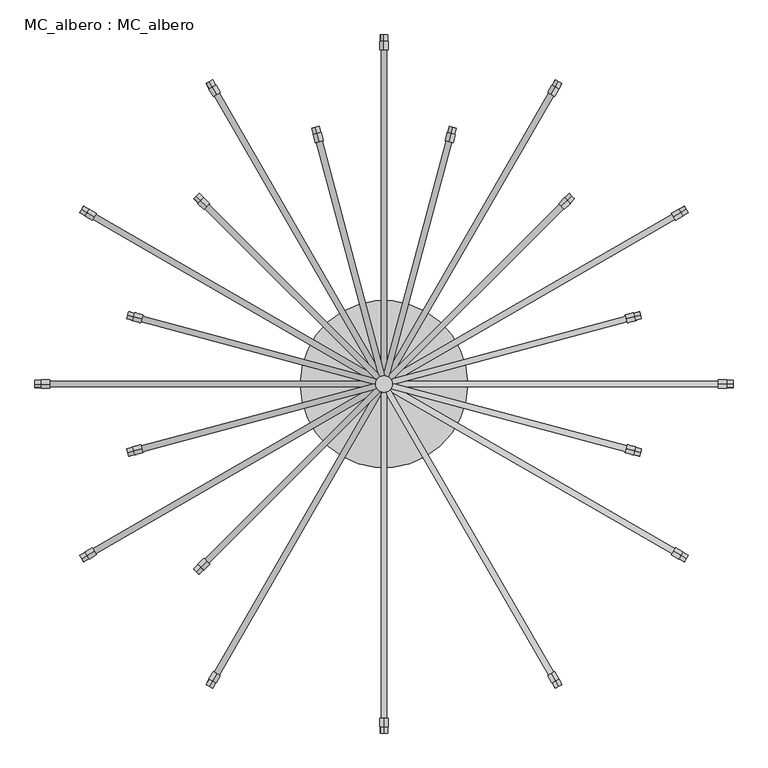
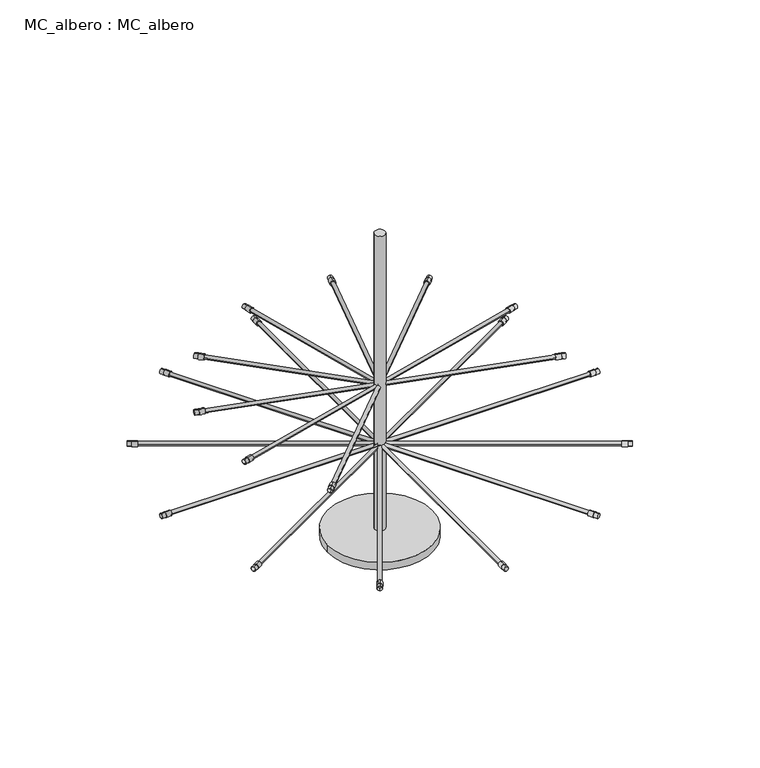
"""IFC4 building model written with IfcOpenShell, lengths in millimetres: proxy geometry, MC_albero : MC_albero."""

from ifc_helpers import new_model, si_unit, point, frame, frame_2d, origin, origin_with_axes, origin_2d, place, context, project, spatial, circle_curve, trimmed, segment, composite_curve, outline, extrude, source, transform, mapped, element, save


def mc_albero_mc_albero_258ef0da(model_context):
    return source(origin(), model_context, "Body", "SweptSolid", [
        extrude(outline(composite_curve([segment(trimmed(circle_curve(frame_2d((0.0, -9.0)), 9.0), [point((0.0, -18.0))], [point((0.0, 0.0))], False, "CARTESIAN"), True, "CONTINUOUS"), segment(trimmed(circle_curve(frame_2d((0.0, -9.0)), 9.0), [point((0.0, 0.0))], [point((0.0, -18.0))], False, "CARTESIAN"), True, "CONTINUOUS")], self_intersect=False), holes=[composite_curve([segment(trimmed(circle_curve(frame_2d((0.0, -9.0)), 8.5), [point((0.0, -17.5))], [point((0.0, -0.5))], True, "CARTESIAN"), True, "CONTINUOUS"), segment(trimmed(circle_curve(frame_2d((0.0, -9.0)), 8.5), [point((0.0, -0.5))], [point((0.0, -17.5))], True, "CARTESIAN"), True, "CONTINUOUS")], self_intersect=False)]), frame((-448.6006221, -448.6397579, 600.4441846), z_axis=(0.7071067811865313, 0.7071067811865639, 0.0), x_axis=(0.7071067811865639, -0.7071067811865313, 0.0)), (0.0, 0.0, 1.0), 15.0),
        extrude(outline(composite_curve([segment(trimmed(circle_curve(frame_2d((0.0, -10.0)), 10.0), [point((0.0, -20.0))], [point((0.0, 0.0))], False, "CARTESIAN"), True, "CONTINUOUS"), segment(trimmed(circle_curve(frame_2d((0.0, -10.0)), 10.0), [point((0.0, 0.0))], [point((0.0, -20.0))], False, "CARTESIAN"), True, "CONTINUOUS")], self_intersect=False)), frame((-437.9940204, -438.0331562, 599.4441846), z_axis=(0.7071067811865313, 0.7071067811865639, 0.0), x_axis=(0.7071067811865639, -0.7071067811865313, 0.0)), (0.0, 0.0, 1.0), 20.0),
        extrude(outline(composite_curve([segment(trimmed(circle_curve(frame_2d((0.0, -7.0)), 7.0), [point((0.0, -14.0))], [point((0.0, 0.0))], False, "CARTESIAN"), True, "CONTINUOUS"), segment(trimmed(circle_curve(frame_2d((0.0, -7.0)), 7.0), [point((0.0, 0.0))], [point((0.0, -14.0))], False, "CARTESIAN"), True, "CONTINUOUS")], self_intersect=False)), frame((-418.9021373, -428.8407681, 609.4441846), z_axis=(0.7071067811865313, 0.7071067811865639, 0.0), x_axis=(0.0, 0.0, 1.0)), (0.0, 0.0, 1.0), 600.0),
        extrude(outline(composite_curve([segment(trimmed(circle_curve(frame_2d((0.0, -9.0)), 9.0), [point((0.0, -18.0))], [point((0.0, 0.0))], False, "CARTESIAN"), True, "CONTINUOUS"), segment(trimmed(circle_curve(frame_2d((0.0, -9.0)), 9.0), [point((0.0, 0.0))], [point((0.0, -18.0))], False, "CARTESIAN"), True, "CONTINUOUS")], self_intersect=False), holes=[composite_curve([segment(trimmed(circle_curve(frame_2d((0.0, -9.0)), 8.5), [point((0.0, -17.5))], [point((0.0, -0.5))], True, "CARTESIAN"), True, "CONTINUOUS"), segment(trimmed(circle_curve(frame_2d((0.0, -9.0)), 8.5), [point((0.0, -0.5))], [point((0.0, -17.5))], True, "CARTESIAN"), True, "CONTINUOUS")], self_intersect=False)]), frame((-612.9507158, -163.9770455, 600.4441846), z_axis=(0.9659258262890607, 0.2588190451025494, 0.0), x_axis=(0.2588190451025494, -0.9659258262890607, 0.0)), (0.0, 0.0, 1.0), 15.0),
        extrude(outline(composite_curve([segment(trimmed(circle_curve(frame_2d((0.0, -10.0)), 10.0), [point((0.0, -20.0))], [point((0.0, 0.0))], False, "CARTESIAN"), True, "CONTINUOUS"), segment(trimmed(circle_curve(frame_2d((0.0, -10.0)), 10.0), [point((0.0, 0.0))], [point((0.0, -20.0))], False, "CARTESIAN"), True, "CONTINUOUS")], self_intersect=False)), frame((-598.4618284, -160.0947599, 599.4441846), z_axis=(0.9659258262890607, 0.2588190451025494, 0.0), x_axis=(0.2588190451025494, -0.9659258262890607, 0.0)), (0.0, 0.0, 1.0), 20.0),
        extrude(outline(composite_curve([segment(trimmed(circle_curve(frame_2d((0.0, -6.9999999)), 7.0), [point((0.0, -14.0))], [point((0.0, 0.0))], False, "CARTESIAN"), True, "CONTINUOUS"), segment(trimmed(circle_curve(frame_2d((0.0, -6.9999999)), 7.0), [point((0.0, 0.0))], [point((0.0, -14.0))], False, "CARTESIAN"), True, "CONTINUOUS")], self_intersect=False)), frame((-577.3315785, -161.6798597, 609.4441846), z_axis=(0.9659258262890607, 0.2588190451025494, 0.0), x_axis=(0.0, 0.0, 1.0)), (0.0, 0.0, 1.0), 600.0),
        extrude(outline(composite_curve([segment(trimmed(circle_curve(frame_2d((0.0, -9.0)), 9.0), [point((0.0, -18.0))], [point((0.0, 0.0))], False, "CARTESIAN"), True, "CONTINUOUS"), segment(trimmed(circle_curve(frame_2d((0.0, -9.0)), 9.0), [point((0.0, 0.0))], [point((0.0, -18.0))], False, "CARTESIAN"), True, "CONTINUOUS")], self_intersect=False), holes=[composite_curve([segment(trimmed(circle_curve(frame_2d((0.0, -9.0)), 8.5), [point((0.0, -17.5))], [point((0.0, -0.5))], True, "CARTESIAN"), True, "CONTINUOUS"), segment(trimmed(circle_curve(frame_2d((0.0, -9.0)), 8.5), [point((0.0, -0.5))], [point((0.0, -17.5))], True, "CARTESIAN"), True, "CONTINUOUS")], self_intersect=False)]), frame((-598.4618284, 160.8408561, 600.4441846), z_axis=(-0.9659258262890762, 0.25881904510249154, 0.0), x_axis=(0.25881904510249154, 0.9659258262890762, 0.0)), (0.0, 0.0, 1.0), 15.0),
        extrude(outline(composite_curve([segment(trimmed(circle_curve(frame_2d((0.0, -10.0)), 10.0), [point((0.0, -20.0))], [point((0.0, 0.0))], False, "CARTESIAN"), True, "CONTINUOUS"), segment(trimmed(circle_curve(frame_2d((0.0, -10.0)), 10.0), [point((0.0, 0.0))], [point((0.0, -20.0))], False, "CARTESIAN"), True, "CONTINUOUS")], self_intersect=False)), frame((-579.1433118, 155.6644752, 599.4441846), z_axis=(-0.9659258262890762, 0.25881904510249154, 0.0), x_axis=(0.25881904510249154, 0.9659258262890762, 0.0)), (0.0, 0.0, 1.0), 20.0),
        extrude(outline(composite_curve([segment(trimmed(circle_curve(frame_2d((0.0, -7.0)), 7.0), [point((0.0, -14.0))], [point((0.0, 0.0))], False, "CARTESIAN"), True, "CONTINUOUS"), segment(trimmed(circle_curve(frame_2d((0.0, -7.0)), 7.0), [point((0.0, 0.0))], [point((0.0, -14.0))], False, "CARTESIAN"), True, "CONTINUOUS")], self_intersect=False)), frame((-1.3995494, -6.3884327, 609.4441846), z_axis=(-0.9659258262890762, 0.25881904510249154, 0.0), x_axis=(0.0, 0.0, -1.0)), (0.0, 0.0, 1.0), 600.0),
        extrude(outline(composite_curve([segment(trimmed(circle_curve(frame_2d((0.0, -9.0)), 9.0), [point((0.0, -18.0))], [point((0.0, 0.0))], False, "CARTESIAN"), True, "CONTINUOUS"), segment(trimmed(circle_curve(frame_2d((0.0, -9.0)), 9.0), [point((0.0, 0.0))], [point((0.0, -18.0))], False, "CARTESIAN"), True, "CONTINUOUS")], self_intersect=False), holes=[composite_curve([segment(trimmed(circle_curve(frame_2d((0.0, -9.0)), 8.5), [point((0.0, -17.5))], [point((0.0, -0.5))], True, "CARTESIAN"), True, "CONTINUOUS"), segment(trimmed(circle_curve(frame_2d((0.0, -9.0)), 8.5), [point((0.0, -0.5))], [point((0.0, -17.5))], True, "CARTESIAN"), True, "CONTINUOUS")], self_intersect=False)]), frame((-437.9940204, 438.7792524, 600.4441846), z_axis=(-0.7071067811865689, 0.7071067811865261, 0.0), x_axis=(0.7071067811865261, 0.7071067811865689, 0.0)), (0.0, 0.0, 1.0), 15.0),
        extrude(outline(composite_curve([segment(trimmed(circle_curve(frame_2d((0.0, -10.0)), 10.0), [point((0.0, -20.0))], [point((0.0, 0.0))], False, "CARTESIAN"), True, "CONTINUOUS"), segment(trimmed(circle_curve(frame_2d((0.0, -10.0)), 10.0), [point((0.0, 0.0))], [point((0.0, -20.0))], False, "CARTESIAN"), True, "CONTINUOUS")], self_intersect=False)), frame((-423.8518848, 424.6371168, 599.4441846), z_axis=(-0.7071067811865689, 0.7071067811865261, 0.0), x_axis=(0.7071067811865261, 0.7071067811865689, 0.0)), (0.0, 0.0, 1.0), 20.0),
        extrude(outline(composite_curve([segment(trimmed(circle_curve(frame_2d((0.0, -7.0)), 7.0), [point((0.0, -14.0))], [point((0.0, 0.0))], False, "CARTESIAN"), True, "CONTINUOUS"), segment(trimmed(circle_curve(frame_2d((0.0, -7.0)), 7.0), [point((0.0, 0.0))], [point((0.0, -14.0))], False, "CARTESIAN"), True, "CONTINUOUS")], self_intersect=False)), frame((-4.5375635, -4.5766994, 609.4441846), z_axis=(-0.7071067811865689, 0.7071067811865261, 0.0), x_axis=(0.0, 0.0, -1.0)), (0.0, 0.0, 1.0), 600.0),
        extrude(outline(composite_curve([segment(trimmed(circle_curve(frame_2d((0.0, -9.0)), 9.0), [point((0.0, -18.0))], [point((0.0, 0.0))], False, "CARTESIAN"), True, "CONTINUOUS"), segment(trimmed(circle_curve(frame_2d((0.0, -9.0)), 9.0), [point((0.0, 0.0))], [point((0.0, -18.0))], False, "CARTESIAN"), True, "CONTINUOUS")], self_intersect=False), holes=[composite_curve([segment(trimmed(circle_curve(frame_2d((0.0, -9.0)), 8.5), [point((0.0, -17.5))], [point((0.0, -0.5))], True, "CARTESIAN"), True, "CONTINUOUS"), segment(trimmed(circle_curve(frame_2d((0.0, -9.0)), 8.5), [point((0.0, -0.5))], [point((0.0, -17.5))], True, "CARTESIAN"), True, "CONTINUOUS")], self_intersect=False)]), frame((-160.055624, 599.2470604, 600.4441846), z_axis=(-0.2588190451025509, 0.9659258262890602, 0.0), x_axis=(0.9659258262890602, 0.2588190451025509, 0.0)), (0.0, 0.0, 1.0), 15.0),
        extrude(outline(composite_curve([segment(trimmed(circle_curve(frame_2d((0.0, -10.0)), 10.0), [point((0.0, -20.0))], [point((0.0, 0.0))], False, "CARTESIAN"), True, "CONTINUOUS"), segment(trimmed(circle_curve(frame_2d((0.0, -10.0)), 10.0), [point((0.0, 0.0))], [point((0.0, -20.0))], False, "CARTESIAN"), True, "CONTINUOUS")], self_intersect=False)), frame((-154.8792431, 579.9285439, 599.4441846), z_axis=(-0.2588190451025509, 0.9659258262890602, 0.0), x_axis=(0.9659258262890602, 0.2588190451025509, 0.0)), (0.0, 0.0, 1.0), 20.0),
        extrude(outline(composite_curve([segment(trimmed(circle_curve(frame_2d((0.0, -7.0)), 7.0), [point((0.0, -14.0))], [point((0.0, 0.0))], False, "CARTESIAN"), True, "CONTINUOUS"), segment(trimmed(circle_curve(frame_2d((0.0, -7.0)), 7.0), [point((0.0, 0.0))], [point((0.0, -14.0))], False, "CARTESIAN"), True, "CONTINUOUS")], self_intersect=False)), frame((-6.3492969, -1.4386852, 609.4441846), z_axis=(-0.2588190451025509, 0.9659258262890602, 0.0), x_axis=(0.0, 0.0, -1.0)), (0.0, 0.0, 1.0), 600.0),
        extrude(outline(composite_curve([segment(trimmed(circle_curve(frame_2d((0.0, -9.0)), 9.0), [point((0.0, -18.0))], [point((0.0, 0.0))], False, "CARTESIAN"), True, "CONTINUOUS"), segment(trimmed(circle_curve(frame_2d((0.0, -9.0)), 9.0), [point((0.0, 0.0))], [point((0.0, -18.0))], False, "CARTESIAN"), True, "CONTINUOUS")], self_intersect=False), holes=[composite_curve([segment(trimmed(circle_curve(frame_2d((0.0, -9.0)), 8.5), [point((0.0, -17.5))], [point((0.0, -0.5))], True, "CARTESIAN"), True, "CONTINUOUS"), segment(trimmed(circle_curve(frame_2d((0.0, -9.0)), 8.5), [point((0.0, -0.5))], [point((0.0, -17.5))], True, "CARTESIAN"), True, "CONTINUOUS")], self_intersect=False)]), frame((160.8799919, 599.2470604, 600.4441846), z_axis=(0.25881904510249026, 0.9659258262890764, 0.0), x_axis=(0.9659258262890764, -0.25881904510249026, 0.0)), (0.0, 0.0, 1.0), 15.0),
        extrude(outline(composite_curve([segment(trimmed(circle_curve(frame_2d((0.0, -10.0)), 10.0), [point((0.0, -20.0))], [point((0.0, 0.0))], False, "CARTESIAN"), True, "CONTINUOUS"), segment(trimmed(circle_curve(frame_2d((0.0, -10.0)), 10.0), [point((0.0, 0.0))], [point((0.0, -20.0))], False, "CARTESIAN"), True, "CONTINUOUS")], self_intersect=False)), frame((155.703611, 579.9285439, 599.4441846), z_axis=(0.25881904510249026, 0.9659258262890764, 0.0), x_axis=(0.9659258262890764, -0.25881904510249026, 0.0)), (0.0, 0.0, 1.0), 20.0),
        extrude(outline(composite_curve([segment(trimmed(circle_curve(frame_2d((0.0, -7.0)), 7.0), [point((0.0, -14.0))], [point((0.0, 0.0))], False, "CARTESIAN"), True, "CONTINUOUS"), segment(trimmed(circle_curve(frame_2d((0.0, -7.0)), 7.0), [point((0.0, 0.0))], [point((0.0, -14.0))], False, "CARTESIAN"), True, "CONTINUOUS")], self_intersect=False)), frame((-6.3492969, 2.1847814, 609.4441846), z_axis=(0.25881904510249026, 0.9659258262890764, 0.0), x_axis=(0.0, 0.0, -1.0)), (0.0, 0.0, 1.0), 600.0),
        extrude(outline(composite_curve([segment(trimmed(circle_curve(frame_2d((0.0, -9.0)), 9.0), [point((0.0, -18.0))], [point((0.0, 0.0))], False, "CARTESIAN"), True, "CONTINUOUS"), segment(trimmed(circle_curve(frame_2d((0.0, -9.0)), 9.0), [point((0.0, 0.0))], [point((0.0, -18.0))], False, "CARTESIAN"), True, "CONTINUOUS")], self_intersect=False), holes=[composite_curve([segment(trimmed(circle_curve(frame_2d((0.0, -9.0)), 8.5), [point((0.0, -17.5))], [point((0.0, -0.5))], True, "CARTESIAN"), True, "CONTINUOUS"), segment(trimmed(circle_curve(frame_2d((0.0, -9.0)), 8.5), [point((0.0, -0.5))], [point((0.0, -17.5))], True, "CARTESIAN"), True, "CONTINUOUS")], self_intersect=False)]), frame((438.8183883, 438.7792524, 600.4441846), z_axis=(0.7071067811865249, 0.7071067811865701, 0.0), x_axis=(0.7071067811865701, -0.7071067811865249, 0.0)), (0.0, 0.0, 1.0), 15.0),
        extrude(outline(composite_curve([segment(trimmed(circle_curve(frame_2d((0.0, -10.0)), 10.0), [point((0.0, -20.0))], [point((0.0, 0.0))], False, "CARTESIAN"), True, "CONTINUOUS"), segment(trimmed(circle_curve(frame_2d((0.0, -10.0)), 10.0), [point((0.0, 0.0))], [point((0.0, -20.0))], False, "CARTESIAN"), True, "CONTINUOUS")], self_intersect=False)), frame((424.6762526, 424.6371168, 599.4441846), z_axis=(0.7071067811865249, 0.7071067811865701, 0.0), x_axis=(0.7071067811865701, -0.7071067811865249, 0.0)), (0.0, 0.0, 1.0), 20.0),
        extrude(outline(composite_curve([segment(trimmed(circle_curve(frame_2d((0.0, -7.0)), 7.0), [point((0.0, -14.0))], [point((0.0, 0.0))], False, "CARTESIAN"), True, "CONTINUOUS"), segment(trimmed(circle_curve(frame_2d((0.0, -7.0)), 7.0), [point((0.0, 0.0))], [point((0.0, -14.0))], False, "CARTESIAN"), True, "CONTINUOUS")], self_intersect=False)), frame((-4.5375635, 5.3227956, 609.4441846), z_axis=(0.7071067811865249, 0.7071067811865701, 0.0), x_axis=(0.0, 0.0, -1.0)), (0.0, 0.0, 1.0), 600.0),
        extrude(outline(composite_curve([segment(trimmed(circle_curve(frame_2d((0.0, -9.0)), 9.0), [point((0.0, -18.0))], [point((0.0, 0.0))], False, "CARTESIAN"), True, "CONTINUOUS"), segment(trimmed(circle_curve(frame_2d((0.0, -9.0)), 9.0), [point((0.0, 0.0))], [point((0.0, -18.0))], False, "CARTESIAN"), True, "CONTINUOUS")], self_intersect=False), holes=[composite_curve([segment(trimmed(circle_curve(frame_2d((0.0, -9.0)), 8.5), [point((0.0, -17.5))], [point((0.0, -0.5))], True, "CARTESIAN"), True, "CONTINUOUS"), segment(trimmed(circle_curve(frame_2d((0.0, -9.0)), 8.5), [point((0.0, -0.5))], [point((0.0, -17.5))], True, "CARTESIAN"), True, "CONTINUOUS")], self_intersect=False)]), frame((613.7750836, -163.9770455, 600.4441846), z_axis=(-0.965925826289075, 0.25881904510249565, 0.0), x_axis=(0.25881904510249565, 0.965925826289075, 0.0)), (0.0, 0.0, 1.0), 15.0),
        extrude(outline(composite_curve([segment(trimmed(circle_curve(frame_2d((0.0, -10.0)), 10.0), [point((0.0, -20.0))], [point((0.0, 0.0))], False, "CARTESIAN"), True, "CONTINUOUS"), segment(trimmed(circle_curve(frame_2d((0.0, -10.0)), 10.0), [point((0.0, 0.0))], [point((0.0, -20.0))], False, "CARTESIAN"), True, "CONTINUOUS")], self_intersect=False)), frame((599.2861962, -160.0947599, 599.4441846), z_axis=(-0.965925826289075, 0.25881904510249565, 0.0), x_axis=(0.25881904510249565, 0.965925826289075, 0.0)), (0.0, 0.0, 1.0), 20.0),
        extrude(outline(composite_curve([segment(trimmed(circle_curve(frame_2d((0.0, -7.0)), 7.0), [point((0.0, -13.9999999))], [point((0.0, 0.0))], False, "CARTESIAN"), True, "CONTINUOUS"), segment(trimmed(circle_curve(frame_2d((0.0, -7.0)), 7.0), [point((0.0, 0.0))], [point((0.0, -13.9999999))], False, "CARTESIAN"), True, "CONTINUOUS")], self_intersect=False)), frame((581.779413, -148.1568982, 609.4441846), z_axis=(-0.965925826289075, 0.25881904510249565, 0.0), x_axis=(0.0, 0.0, 1.0)), (0.0, 0.0, 1.0), 600.0),
        extrude(outline(composite_curve([segment(trimmed(circle_curve(frame_2d((0.0, -9.0)), 9.0), [point((0.0, -18.0))], [point((0.0, 0.0))], False, "CARTESIAN"), True, "CONTINUOUS"), segment(trimmed(circle_curve(frame_2d((0.0, -9.0)), 9.0), [point((0.0, 0.0))], [point((0.0, -18.0))], False, "CARTESIAN"), True, "CONTINUOUS")], self_intersect=False), holes=[composite_curve([segment(trimmed(circle_curve(frame_2d((0.0, -9.0)), 8.5), [point((0.0, -17.5))], [point((0.0, -0.5))], True, "CARTESIAN"), True, "CONTINUOUS"), segment(trimmed(circle_curve(frame_2d((0.0, -9.0)), 8.5), [point((0.0, -0.5))], [point((0.0, -17.5))], True, "CARTESIAN"), True, "CONTINUOUS")], self_intersect=False)]), frame((599.2861962, 160.8408561, 600.4441846), z_axis=(0.9659258262890599, 0.2588190451025525, 0.0), x_axis=(0.2588190451025525, -0.9659258262890599, 0.0)), (0.0, 0.0, 1.0), 15.0),
        extrude(outline(composite_curve([segment(trimmed(circle_curve(frame_2d((0.0, -10.0)), 10.0), [point((0.0, -20.0))], [point((0.0, 0.0))], False, "CARTESIAN"), True, "CONTINUOUS"), segment(trimmed(circle_curve(frame_2d((0.0, -10.0)), 10.0), [point((0.0, 0.0))], [point((0.0, -20.0))], False, "CARTESIAN"), True, "CONTINUOUS")], self_intersect=False)), frame((579.9676797, 155.6644752, 599.4441846), z_axis=(0.9659258262890599, 0.2588190451025525, 0.0), x_axis=(0.2588190451025525, -0.9659258262890599, 0.0)), (0.0, 0.0, 1.0), 20.0),
        extrude(outline(composite_curve([segment(trimmed(circle_curve(frame_2d((0.0, -7.0)), 7.0), [point((0.0, -14.0))], [point((0.0, 0.0))], False, "CARTESIAN"), True, "CONTINUOUS"), segment(trimmed(circle_curve(frame_2d((0.0, -7.0)), 7.0), [point((0.0, 0.0))], [point((0.0, -14.0))], False, "CARTESIAN"), True, "CONTINUOUS")], self_intersect=False)), frame((-1.3995494, 7.1345289, 609.4441846), z_axis=(0.9659258262890599, 0.2588190451025525, 0.0), x_axis=(0.0, 0.0, -1.0)), (0.0, 0.0, 1.0), 600.0),
        extrude(outline(composite_curve([segment(trimmed(circle_curve(frame_2d((0.0, -9.0)), 9.0), [point((0.0, -18.0))], [point((0.0, 0.0))], False, "CARTESIAN"), True, "CONTINUOUS"), segment(trimmed(circle_curve(frame_2d((0.0, -9.0)), 9.0), [point((0.0, 0.0))], [point((0.0, -18.0))], False, "CARTESIAN"), True, "CONTINUOUS")], self_intersect=False), holes=[composite_curve([segment(trimmed(circle_curve(frame_2d((0.0, -9.0)), 8.5), [point((0.0, -17.5))], [point((0.0, -0.5))], True, "CARTESIAN"), True, "CONTINUOUS"), segment(trimmed(circle_curve(frame_2d((0.0, -9.0)), 8.5), [point((0.0, -0.5))], [point((0.0, -17.5))], True, "CARTESIAN"), True, "CONTINUOUS")], self_intersect=False)]), frame((417.5, -723.1312122, 360.4441846), z_axis=(-0.49999999999998723, 0.866025403784446, 0.0), x_axis=(0.866025403784446, 0.49999999999998723, 0.0)), (0.0, 0.0, 1.0), 15.0),
        extrude(outline(composite_curve([segment(trimmed(circle_curve(frame_2d((0.0, -10.0)), 10.0), [point((0.0, -20.0))], [point((0.0, 0.0))], False, "CARTESIAN"), True, "CONTINUOUS"), segment(trimmed(circle_curve(frame_2d((0.0, -10.0)), 10.0), [point((0.0, 0.0))], [point((0.0, -20.0))], False, "CARTESIAN"), True, "CONTINUOUS")], self_intersect=False)), frame((410.0, -710.1408311, 359.4441846), z_axis=(-0.49999999999998723, 0.866025403784446, 0.0), x_axis=(0.866025403784446, 0.49999999999998723, 0.0)), (0.0, 0.0, 1.0), 20.0),
        extrude(outline(composite_curve([segment(trimmed(circle_curve(frame_2d((0.0, -7.0)), 7.0), [point((0.0, -14.0))], [point((0.0, 0.0))], False, "CARTESIAN"), True, "CONTINUOUS"), segment(trimmed(circle_curve(frame_2d((0.0, -7.0)), 7.0), [point((0.0, 0.0))], [point((0.0, -14.0))], False, "CARTESIAN"), True, "CONTINUOUS")], self_intersect=False)), frame((406.0621778, -689.320323, 369.4441846), z_axis=(-0.49999999999998723, 0.866025403784446, 0.0), x_axis=(0.0, 0.0, 1.0)), (0.0, 0.0, 1.0), 800.0),
        extrude(outline(composite_curve([segment(trimmed(circle_curve(frame_2d((369.4441846, 0.0)), 9.0), [point((378.4441846, 0.0))], [point((360.4441846, 0.0))], False, "CARTESIAN"), True, "CONTINUOUS"), segment(trimmed(circle_curve(frame_2d((369.4441846, 0.0)), 9.0), [point((360.4441846, 0.0))], [point((378.4441846, 0.0))], False, "CARTESIAN"), True, "CONTINUOUS")], self_intersect=False), holes=[composite_curve([segment(trimmed(circle_curve(frame_2d((369.4441846, 0.0)), 8.5), [point((377.9441846, 0.0))], [point((360.9441846, 0.0))], True, "CARTESIAN"), True, "CONTINUOUS"), segment(trimmed(circle_curve(frame_2d((369.4441846, 0.0)), 8.5), [point((360.9441846, 0.0))], [point((377.9441846, 0.0))], True, "CARTESIAN"), True, "CONTINUOUS")], self_intersect=False)]), frame((0.0, -835.0, 0.0), z_axis=(0.0, 1.0, 0.0), x_axis=(0.0, 0.0, 1.0)), (0.0, 0.0, 1.0), 15.0),
        extrude(outline(composite_curve([segment(trimmed(circle_curve(frame_2d((369.4441846, 0.0)), 10.0), [point((379.4441846, 0.0))], [point((359.4441846, 0.0))], False, "CARTESIAN"), True, "CONTINUOUS"), segment(trimmed(circle_curve(frame_2d((369.4441846, 0.0)), 10.0), [point((359.4441846, 0.0))], [point((379.4441846, 0.0))], False, "CARTESIAN"), True, "CONTINUOUS")], self_intersect=False)), frame((0.0, -820.0, 0.0), z_axis=(0.0, 1.0, 0.0), x_axis=(0.0, 0.0, 1.0)), (0.0, 0.0, 1.0), 20.0),
        extrude(outline(composite_curve([segment(trimmed(circle_curve(frame_2d((369.4441846, 0.0)), 7.0), [point((369.4441846, -7.0))], [point((369.4441846, 7.0))], False, "CARTESIAN"), True, "CONTINUOUS"), segment(trimmed(circle_curve(frame_2d((369.4441846, 0.0)), 7.0), [point((369.4441846, 7.0))], [point((369.4441846, -7.0))], False, "CARTESIAN"), True, "CONTINUOUS")], self_intersect=False)), frame((0.0, -800.0, 0.0), z_axis=(0.0, 1.0, 0.0), x_axis=(0.0, 0.0, 1.0)), (0.0, 0.0, 1.0), 800.0),
        extrude(outline(composite_curve([segment(trimmed(circle_curve(frame_2d((0.0, -9.0)), 9.0), [point((0.0, -18.0))], [point((0.0, 0.0))], False, "CARTESIAN"), True, "CONTINUOUS"), segment(trimmed(circle_curve(frame_2d((0.0, -9.0)), 9.0), [point((0.0, 0.0))], [point((0.0, -18.0))], False, "CARTESIAN"), True, "CONTINUOUS")], self_intersect=False), holes=[composite_curve([segment(trimmed(circle_curve(frame_2d((0.0, -9.0)), 8.5), [point((0.0, -17.5))], [point((0.0, -0.5))], True, "CARTESIAN"), True, "CONTINUOUS"), segment(trimmed(circle_curve(frame_2d((0.0, -9.0)), 8.5), [point((0.0, -0.5))], [point((0.0, -17.5))], True, "CARTESIAN"), True, "CONTINUOUS")], self_intersect=False)]), frame((-417.5, -723.1312122, 360.4441846), z_axis=(0.5000000000000127, 0.8660254037844315, 0.0), x_axis=(0.8660254037844315, -0.5000000000000127, 0.0)), (0.0, 0.0, 1.0), 15.0),
        extrude(outline(composite_curve([segment(trimmed(circle_curve(frame_2d((0.0, -10.0)), 10.0), [point((0.0, -20.0))], [point((0.0, 0.0))], False, "CARTESIAN"), True, "CONTINUOUS"), segment(trimmed(circle_curve(frame_2d((0.0, -10.0)), 10.0), [point((0.0, 0.0))], [point((0.0, -20.0))], False, "CARTESIAN"), True, "CONTINUOUS")], self_intersect=False)), frame((-410.0, -710.1408311, 359.4441846), z_axis=(0.5000000000000127, 0.8660254037844315, 0.0), x_axis=(0.8660254037844315, -0.5000000000000127, 0.0)), (0.0, 0.0, 1.0), 20.0),
        extrude(outline(composite_curve([segment(trimmed(circle_curve(frame_2d((0.0, -7.0)), 7.0), [point((0.0, -14.0))], [point((0.0, 0.0))], False, "CARTESIAN"), True, "CONTINUOUS"), segment(trimmed(circle_curve(frame_2d((0.0, -7.0)), 7.0), [point((0.0, 0.0))], [point((0.0, -14.0))], False, "CARTESIAN"), True, "CONTINUOUS")], self_intersect=False)), frame((-393.9378222, -696.320323, 369.4441846), z_axis=(0.5000000000000127, 0.8660254037844315, 0.0), x_axis=(0.0, 0.0, 1.0)), (0.0, 0.0, 1.0), 800.0),
        extrude(outline(composite_curve([segment(trimmed(circle_curve(frame_2d((0.0, -9.0)), 9.0), [point((0.0, -18.0))], [point((0.0, 0.0))], False, "CARTESIAN"), True, "CONTINUOUS"), segment(trimmed(circle_curve(frame_2d((0.0, -9.0)), 9.0), [point((0.0, 0.0))], [point((0.0, -18.0))], False, "CARTESIAN"), True, "CONTINUOUS")], self_intersect=False), holes=[composite_curve([segment(trimmed(circle_curve(frame_2d((0.0, -9.0)), 8.5), [point((0.0, -17.5))], [point((0.0, -0.5))], True, "CARTESIAN"), True, "CONTINUOUS"), segment(trimmed(circle_curve(frame_2d((0.0, -9.0)), 8.5), [point((0.0, -0.5))], [point((0.0, -17.5))], True, "CARTESIAN"), True, "CONTINUOUS")], self_intersect=False)]), frame((-723.1312122, -417.5, 360.4441846), z_axis=(0.866025403784445, 0.4999999999999889, 0.0), x_axis=(0.4999999999999889, -0.866025403784445, 0.0)), (0.0, 0.0, 1.0), 15.0),
        extrude(outline(composite_curve([segment(trimmed(circle_curve(frame_2d((0.0, -10.0)), 10.0), [point((0.0, -20.0))], [point((0.0, 0.0))], False, "CARTESIAN"), True, "CONTINUOUS"), segment(trimmed(circle_curve(frame_2d((0.0, -10.0)), 10.0), [point((0.0, 0.0))], [point((0.0, -20.0))], False, "CARTESIAN"), True, "CONTINUOUS")], self_intersect=False)), frame((-710.1408311, -410.0, 359.4441846), z_axis=(0.866025403784445, 0.4999999999999889, 0.0), x_axis=(0.4999999999999889, -0.866025403784445, 0.0)), (0.0, 0.0, 1.0), 20.0),
        extrude(outline(composite_curve([segment(trimmed(circle_curve(frame_2d((0.0, -7.0)), 7.0), [point((0.0, -14.0))], [point((0.0, 0.0))], False, "CARTESIAN"), True, "CONTINUOUS"), segment(trimmed(circle_curve(frame_2d((0.0, -7.0)), 7.0), [point((0.0, 0.0))], [point((0.0, -14.0))], False, "CARTESIAN"), True, "CONTINUOUS")], self_intersect=False)), frame((-689.320323, -406.0621778, 369.4441846), z_axis=(0.866025403784445, 0.4999999999999889, 0.0), x_axis=(0.0, 0.0, 1.0)), (0.0, 0.0, 1.0), 800.0),
        extrude(outline(composite_curve([segment(trimmed(circle_curve(frame_2d((0.0, 369.4441846)), 9.0), [point((0.0, 378.4441846))], [point((0.0, 360.4441846))], False, "CARTESIAN"), True, "CONTINUOUS"), segment(trimmed(circle_curve(frame_2d((0.0, 369.4441846)), 9.0), [point((0.0, 360.4441846))], [point((0.0, 378.4441846))], False, "CARTESIAN"), True, "CONTINUOUS")], self_intersect=False), holes=[composite_curve([segment(trimmed(circle_curve(frame_2d((0.0, 369.4441846)), 8.5), [point((0.0, 377.9441846))], [point((0.0, 360.9441846))], True, "CARTESIAN"), True, "CONTINUOUS"), segment(trimmed(circle_curve(frame_2d((0.0, 369.4441846)), 8.5), [point((0.0, 360.9441846))], [point((0.0, 377.9441846))], True, "CARTESIAN"), True, "CONTINUOUS")], self_intersect=False)]), frame((-835.0, 0.0, 0.0), z_axis=(1.0, 0.0, 0.0), x_axis=(0.0, 1.0, 0.0)), (0.0, 0.0, 1.0), 15.0),
        extrude(outline(composite_curve([segment(trimmed(circle_curve(frame_2d((0.0, 369.4441846)), 10.0), [point((0.0, 379.4441846))], [point((0.0, 359.4441846))], False, "CARTESIAN"), True, "CONTINUOUS"), segment(trimmed(circle_curve(frame_2d((0.0, 369.4441846)), 10.0), [point((0.0, 359.4441846))], [point((0.0, 379.4441846))], False, "CARTESIAN"), True, "CONTINUOUS")], self_intersect=False)), frame((-820.0, 0.0, 0.0), z_axis=(1.0, 0.0, 0.0), x_axis=(0.0, 1.0, 0.0)), (0.0, 0.0, 1.0), 20.0),
        extrude(outline(composite_curve([segment(trimmed(circle_curve(frame_2d((0.0, 369.4441846)), 7.0), [point((7.0, 369.4441846))], [point((-7.0, 369.4441846))], False, "CARTESIAN"), True, "CONTINUOUS"), segment(trimmed(circle_curve(frame_2d((0.0, 369.4441846)), 7.0), [point((-7.0, 369.4441846))], [point((7.0, 369.4441846))], False, "CARTESIAN"), True, "CONTINUOUS")], self_intersect=False)), frame((-800.0, 0.0, 0.0), z_axis=(1.0, 0.0, 0.0), x_axis=(0.0, 1.0, 0.0)), (0.0, 0.0, 1.0), 800.0),
        extrude(outline(composite_curve([segment(trimmed(circle_curve(frame_2d((0.0, -9.0)), 9.0), [point((0.0, -18.0))], [point((0.0, 0.0))], False, "CARTESIAN"), True, "CONTINUOUS"), segment(trimmed(circle_curve(frame_2d((0.0, -9.0)), 9.0), [point((0.0, 0.0))], [point((0.0, -18.0))], False, "CARTESIAN"), True, "CONTINUOUS")], self_intersect=False), holes=[composite_curve([segment(trimmed(circle_curve(frame_2d((0.0, -9.0)), 8.5), [point((0.0, -17.5))], [point((0.0, -0.5))], True, "CARTESIAN"), True, "CONTINUOUS"), segment(trimmed(circle_curve(frame_2d((0.0, -9.0)), 8.5), [point((0.0, -0.5))], [point((0.0, -17.5))], True, "CARTESIAN"), True, "CONTINUOUS")], self_intersect=False)]), frame((-710.1408311, 410.0, 360.4441846), z_axis=(-0.8660254037844358, 0.500000000000005, 0.0), x_axis=(0.500000000000005, 0.8660254037844358, 0.0)), (0.0, 0.0, 1.0), 15.0),
        extrude(outline(composite_curve([segment(trimmed(circle_curve(frame_2d((0.0, -10.0)), 10.0), [point((0.0, -20.0))], [point((0.0, 0.0))], False, "CARTESIAN"), True, "CONTINUOUS"), segment(trimmed(circle_curve(frame_2d((0.0, -10.0)), 10.0), [point((0.0, 0.0))], [point((0.0, -20.0))], False, "CARTESIAN"), True, "CONTINUOUS")], self_intersect=False)), frame((-692.820323, 400.0, 359.4441846), z_axis=(-0.8660254037844358, 0.500000000000005, 0.0), x_axis=(0.500000000000005, 0.8660254037844358, 0.0)), (0.0, 0.0, 1.0), 20.0),
        extrude(outline(composite_curve([segment(trimmed(circle_curve(frame_2d((0.0, -7.0)), 7.0), [point((0.0, -14.0))], [point((0.0, 0.0))], False, "CARTESIAN"), True, "CONTINUOUS"), segment(trimmed(circle_curve(frame_2d((0.0, -7.0)), 7.0), [point((0.0, 0.0))], [point((0.0, -14.0))], False, "CARTESIAN"), True, "CONTINUOUS")], self_intersect=False)), frame((-3.5, -6.0621778, 369.4441846), z_axis=(-0.8660254037844358, 0.500000000000005, 0.0), x_axis=(0.0, 0.0, -1.0)), (0.0, 0.0, 1.0), 800.0),
        extrude(outline(composite_curve([segment(trimmed(circle_curve(frame_2d((0.0, -9.0)), 9.0), [point((0.0, -18.0))], [point((0.0, 0.0))], False, "CARTESIAN"), True, "CONTINUOUS"), segment(trimmed(circle_curve(frame_2d((0.0, -9.0)), 9.0), [point((0.0, 0.0))], [point((0.0, -18.0))], False, "CARTESIAN"), True, "CONTINUOUS")], self_intersect=False), holes=[composite_curve([segment(trimmed(circle_curve(frame_2d((0.0, -9.0)), 8.5), [point((0.0, -17.5))], [point((0.0, -0.5))], True, "CARTESIAN"), True, "CONTINUOUS"), segment(trimmed(circle_curve(frame_2d((0.0, -9.0)), 8.5), [point((0.0, -0.5))], [point((0.0, -17.5))], True, "CARTESIAN"), True, "CONTINUOUS")], self_intersect=False)]), frame((-410.0, 710.1408311, 360.4441846), z_axis=(-0.49999999999999506, 0.8660254037844416, 0.0), x_axis=(0.8660254037844416, 0.49999999999999506, 0.0)), (0.0, 0.0, 1.0), 15.0),
        extrude(outline(composite_curve([segment(trimmed(circle_curve(frame_2d((0.0, -10.0)), 10.0), [point((0.0, -20.0))], [point((0.0, 0.0))], False, "CARTESIAN"), True, "CONTINUOUS"), segment(trimmed(circle_curve(frame_2d((0.0, -10.0)), 10.0), [point((0.0, 0.0))], [point((0.0, -20.0))], False, "CARTESIAN"), True, "CONTINUOUS")], self_intersect=False)), frame((-400.0, 692.820323, 359.4441846), z_axis=(-0.49999999999999506, 0.8660254037844416, 0.0), x_axis=(0.8660254037844416, 0.49999999999999506, 0.0)), (0.0, 0.0, 1.0), 20.0),
        extrude(outline(composite_curve([segment(trimmed(circle_curve(frame_2d((0.0, -7.0)), 7.0), [point((0.0, -14.0))], [point((0.0, 0.0))], False, "CARTESIAN"), True, "CONTINUOUS"), segment(trimmed(circle_curve(frame_2d((0.0, -7.0)), 7.0), [point((0.0, 0.0))], [point((0.0, -14.0))], False, "CARTESIAN"), True, "CONTINUOUS")], self_intersect=False)), frame((-6.0621778, -3.5, 369.4441846), z_axis=(-0.49999999999999506, 0.8660254037844416, 0.0), x_axis=(0.0, 0.0, -1.0)), (0.0, 0.0, 1.0), 800.0),
        extrude(outline(composite_curve([segment(trimmed(circle_curve(frame_2d((369.4441846, 0.0)), 9.0), [point((378.4441846, 0.0))], [point((360.4441846, 0.0))], False, "CARTESIAN"), True, "CONTINUOUS"), segment(trimmed(circle_curve(frame_2d((369.4441846, 0.0)), 9.0), [point((360.4441846, 0.0))], [point((378.4441846, 0.0))], False, "CARTESIAN"), True, "CONTINUOUS")], self_intersect=False), holes=[composite_curve([segment(trimmed(circle_curve(frame_2d((369.4441846, 0.0)), 8.5), [point((377.9441846, 0.0))], [point((360.9441846, 0.0))], True, "CARTESIAN"), True, "CONTINUOUS"), segment(trimmed(circle_curve(frame_2d((369.4441846, 0.0)), 8.5), [point((360.9441846, 0.0))], [point((377.9441846, 0.0))], True, "CARTESIAN"), True, "CONTINUOUS")], self_intersect=False)]), frame((0.0, 820.0, 0.0), z_axis=(0.0, 1.0, 0.0), x_axis=(0.0, 0.0, 1.0)), (0.0, 0.0, 1.0), 15.0),
        extrude(outline(composite_curve([segment(trimmed(circle_curve(frame_2d((369.4441846, 0.0)), 10.0), [point((379.4441846, 0.0))], [point((359.4441846, 0.0))], False, "CARTESIAN"), True, "CONTINUOUS"), segment(trimmed(circle_curve(frame_2d((369.4441846, 0.0)), 10.0), [point((359.4441846, 0.0))], [point((379.4441846, 0.0))], False, "CARTESIAN"), True, "CONTINUOUS")], self_intersect=False)), frame((0.0, 800.0, 0.0), z_axis=(0.0, 1.0, 0.0), x_axis=(0.0, 0.0, 1.0)), (0.0, 0.0, 1.0), 20.0),
        extrude(outline(composite_curve([segment(trimmed(circle_curve(frame_2d((369.4441846, 0.0)), 7.0), [point((369.4441846, 7.0))], [point((369.4441846, -7.0))], False, "CARTESIAN"), True, "CONTINUOUS"), segment(trimmed(circle_curve(frame_2d((369.4441846, 0.0)), 7.0), [point((369.4441846, -7.0))], [point((369.4441846, 7.0))], False, "CARTESIAN"), True, "CONTINUOUS")], self_intersect=False)), frame((0.0, 0.0, 0.0), z_axis=(0.0, 1.0, 0.0), x_axis=(0.0, 0.0, 1.0)), (0.0, 0.0, 1.0), 800.0),
        extrude(outline(composite_curve([segment(trimmed(circle_curve(frame_2d((0.0, -9.0)), 9.0), [point((0.0, -18.0))], [point((0.0, 0.0))], False, "CARTESIAN"), True, "CONTINUOUS"), segment(trimmed(circle_curve(frame_2d((0.0, -9.0)), 9.0), [point((0.0, 0.0))], [point((0.0, -18.0))], False, "CARTESIAN"), True, "CONTINUOUS")], self_intersect=False), holes=[composite_curve([segment(trimmed(circle_curve(frame_2d((0.0, -9.0)), 8.5), [point((0.0, -17.5))], [point((0.0, -0.5))], True, "CARTESIAN"), True, "CONTINUOUS"), segment(trimmed(circle_curve(frame_2d((0.0, -9.0)), 8.5), [point((0.0, -0.5))], [point((0.0, -17.5))], True, "CARTESIAN"), True, "CONTINUOUS")], self_intersect=False)]), frame((410.0, 710.1408311, 360.4441846), z_axis=(0.5000000000000039, 0.8660254037844365, 0.0), x_axis=(0.8660254037844365, -0.5000000000000039, 0.0)), (0.0, 0.0, 1.0), 15.0),
        extrude(outline(composite_curve([segment(trimmed(circle_curve(frame_2d((0.0, -10.0)), 10.0), [point((0.0, -20.0))], [point((0.0, 0.0))], False, "CARTESIAN"), True, "CONTINUOUS"), segment(trimmed(circle_curve(frame_2d((0.0, -10.0)), 10.0), [point((0.0, 0.0))], [point((0.0, -20.0))], False, "CARTESIAN"), True, "CONTINUOUS")], self_intersect=False)), frame((400.0, 692.820323, 359.4441846), z_axis=(0.5000000000000039, 0.8660254037844365, 0.0), x_axis=(0.8660254037844365, -0.5000000000000039, 0.0)), (0.0, 0.0, 1.0), 20.0),
        extrude(outline(composite_curve([segment(trimmed(circle_curve(frame_2d((0.0, -7.0)), 7.0), [point((0.0, -14.0))], [point((0.0, 0.0))], False, "CARTESIAN"), True, "CONTINUOUS"), segment(trimmed(circle_curve(frame_2d((0.0, -7.0)), 7.0), [point((0.0, 0.0))], [point((0.0, -14.0))], False, "CARTESIAN"), True, "CONTINUOUS")], self_intersect=False)), frame((-6.0621778, 3.5, 369.4441846), z_axis=(0.5000000000000039, 0.8660254037844365, 0.0), x_axis=(0.0, 0.0, -1.0)), (0.0, 0.0, 1.0), 800.0),
        extrude(outline(composite_curve([segment(trimmed(circle_curve(frame_2d((0.0, -9.0)), 9.0), [point((0.0, -18.0))], [point((0.0, 0.0))], False, "CARTESIAN"), True, "CONTINUOUS"), segment(trimmed(circle_curve(frame_2d((0.0, -9.0)), 9.0), [point((0.0, 0.0))], [point((0.0, -18.0))], False, "CARTESIAN"), True, "CONTINUOUS")], self_intersect=False), holes=[composite_curve([segment(trimmed(circle_curve(frame_2d((0.0, -9.0)), 8.5), [point((0.0, -17.5))], [point((0.0, -0.5))], True, "CARTESIAN"), True, "CONTINUOUS"), segment(trimmed(circle_curve(frame_2d((0.0, -9.0)), 8.5), [point((0.0, -0.5))], [point((0.0, -17.5))], True, "CARTESIAN"), True, "CONTINUOUS")], self_intersect=False)]), frame((710.1408311, 410.0, 360.4441846), z_axis=(0.8660254037844406, 0.49999999999999667, 0.0), x_axis=(0.49999999999999667, -0.8660254037844406, 0.0)), (0.0, 0.0, 1.0), 15.0),
        extrude(outline(composite_curve([segment(trimmed(circle_curve(frame_2d((0.0, -10.0)), 10.0), [point((0.0, -20.0))], [point((0.0, 0.0))], False, "CARTESIAN"), True, "CONTINUOUS"), segment(trimmed(circle_curve(frame_2d((0.0, -10.0)), 10.0), [point((0.0, 0.0))], [point((0.0, -20.0))], False, "CARTESIAN"), True, "CONTINUOUS")], self_intersect=False)), frame((692.820323, 400.0, 359.4441846), z_axis=(0.8660254037844406, 0.49999999999999667, 0.0), x_axis=(0.49999999999999667, -0.8660254037844406, 0.0)), (0.0, 0.0, 1.0), 20.0),
        extrude(outline(composite_curve([segment(trimmed(circle_curve(frame_2d((0.0, -7.0)), 7.0), [point((0.0, -14.0))], [point((0.0, 0.0))], False, "CARTESIAN"), True, "CONTINUOUS"), segment(trimmed(circle_curve(frame_2d((0.0, -7.0)), 7.0), [point((0.0, 0.0))], [point((0.0, -14.0))], False, "CARTESIAN"), True, "CONTINUOUS")], self_intersect=False)), frame((-3.5, 6.0621778, 369.4441846), z_axis=(0.8660254037844406, 0.49999999999999667, 0.0), x_axis=(0.0, 0.0, -1.0)), (0.0, 0.0, 1.0), 800.0),
        extrude(outline(composite_curve([segment(trimmed(circle_curve(frame_2d((0.0, -9.0)), 9.0), [point((0.0, -18.0))], [point((0.0, 0.0))], False, "CARTESIAN"), True, "CONTINUOUS"), segment(trimmed(circle_curve(frame_2d((0.0, -9.0)), 9.0), [point((0.0, 0.0))], [point((0.0, -18.0))], False, "CARTESIAN"), True, "CONTINUOUS")], self_intersect=False), holes=[composite_curve([segment(trimmed(circle_curve(frame_2d((0.0, -9.0)), 8.5), [point((0.0, -17.5))], [point((0.0, -0.5))], True, "CARTESIAN"), True, "CONTINUOUS"), segment(trimmed(circle_curve(frame_2d((0.0, -9.0)), 8.5), [point((0.0, -0.5))], [point((0.0, -17.5))], True, "CARTESIAN"), True, "CONTINUOUS")], self_intersect=False)]), frame((723.1312122, -417.5, 360.4441846), z_axis=(-0.866025403784434, 0.500000000000008, 0.0), x_axis=(0.500000000000008, 0.866025403784434, 0.0)), (0.0, 0.0, 1.0), 15.0),
        extrude(outline(composite_curve([segment(trimmed(circle_curve(frame_2d((0.0, -10.0)), 10.0), [point((0.0, -20.0))], [point((0.0, 0.0))], False, "CARTESIAN"), True, "CONTINUOUS"), segment(trimmed(circle_curve(frame_2d((0.0, -10.0)), 10.0), [point((0.0, 0.0))], [point((0.0, -20.0))], False, "CARTESIAN"), True, "CONTINUOUS")], self_intersect=False)), frame((710.1408311, -410.0, 359.4441846), z_axis=(-0.866025403784434, 0.500000000000008, 0.0), x_axis=(0.500000000000008, 0.866025403784434, 0.0)), (0.0, 0.0, 1.0), 20.0),
        extrude(outline(composite_curve([segment(trimmed(circle_curve(frame_2d((0.0, -7.0)), 7.0), [point((0.0, -14.0))], [point((0.0, 0.0))], False, "CARTESIAN"), True, "CONTINUOUS"), segment(trimmed(circle_curve(frame_2d((0.0, -7.0)), 7.0), [point((0.0, 0.0))], [point((0.0, -14.0))], False, "CARTESIAN"), True, "CONTINUOUS")], self_intersect=False)), frame((696.320323, -393.9378222, 369.4441846), z_axis=(-0.866025403784434, 0.500000000000008, 0.0), x_axis=(0.0, 0.0, 1.0)), (0.0, 0.0, 1.0), 800.0),
        extrude(outline(composite_curve([segment(trimmed(circle_curve(frame_2d((0.0, 369.4441846)), 9.0), [point((0.0, 378.4441846))], [point((0.0, 360.4441846))], False, "CARTESIAN"), True, "CONTINUOUS"), segment(trimmed(circle_curve(frame_2d((0.0, 369.4441846)), 9.0), [point((0.0, 360.4441846))], [point((0.0, 378.4441846))], False, "CARTESIAN"), True, "CONTINUOUS")], self_intersect=False), holes=[composite_curve([segment(trimmed(circle_curve(frame_2d((0.0, 369.4441846)), 8.5), [point((0.0, 377.9441846))], [point((0.0, 360.9441846))], True, "CARTESIAN"), True, "CONTINUOUS"), segment(trimmed(circle_curve(frame_2d((0.0, 369.4441846)), 8.5), [point((0.0, 360.9441846))], [point((0.0, 377.9441846))], True, "CARTESIAN"), True, "CONTINUOUS")], self_intersect=False)]), frame((820.0, 0.0, 0.0), z_axis=(1.0, 0.0, 0.0), x_axis=(0.0, 1.0, 0.0)), (0.0, 0.0, 1.0), 15.0),
        extrude(outline(composite_curve([segment(trimmed(circle_curve(frame_2d((0.0, 369.4441846)), 10.0), [point((0.0, 379.4441846))], [point((0.0, 359.4441846))], False, "CARTESIAN"), True, "CONTINUOUS"), segment(trimmed(circle_curve(frame_2d((0.0, 369.4441846)), 10.0), [point((0.0, 359.4441846))], [point((0.0, 379.4441846))], False, "CARTESIAN"), True, "CONTINUOUS")], self_intersect=False)), frame((800.0, 0.0, 0.0), z_axis=(1.0, 0.0, 0.0), x_axis=(0.0, 1.0, 0.0)), (0.0, 0.0, 1.0), 20.0),
        extrude(outline(composite_curve([segment(trimmed(circle_curve(frame_2d((0.0, 369.4441846)), 7.0), [point((-7.0, 369.4441846))], [point((7.0, 369.4441846))], False, "CARTESIAN"), True, "CONTINUOUS"), segment(trimmed(circle_curve(frame_2d((0.0, 369.4441846)), 7.0), [point((7.0, 369.4441846))], [point((-7.0, 369.4441846))], False, "CARTESIAN"), True, "CONTINUOUS")], self_intersect=False)), frame((0.0, 0.0, 0.0), z_axis=(1.0, 0.0, 0.0), x_axis=(0.0, 1.0, 0.0)), (0.0, 0.0, 1.0), 800.0),
        extrude(outline(composite_curve([segment(trimmed(circle_curve(origin_2d(), 20.0), [point((-20.0, 0.0))], [point((20.0, 0.0))], False, "CARTESIAN"), True, "CONTINUOUS"), segment(trimmed(circle_curve(origin_2d(), 20.0), [point((20.0, 0.0))], [point((-20.0, 0.0))], False, "CARTESIAN"), True, "CONTINUOUS")], self_intersect=False)), frame((0.0, 0.0, 30.0), z_axis=(0.0, 0.0, 1.0), x_axis=(1.0, 0.0, 0.0)), (0.0, 0.0, 1.0), 1189.1636303),
        extrude(outline(composite_curve([segment(trimmed(circle_curve(origin_2d(), 200.0), [point((-200.0, 0.0))], [point((200.0, 0.0))], False, "CARTESIAN"), True, "CONTINUOUS"), segment(trimmed(circle_curve(origin_2d(), 200.0), [point((200.0, 0.0))], [point((-200.0, 0.0))], False, "CARTESIAN"), True, "CONTINUOUS")], self_intersect=False)), origin_with_axes(), (0.0, 0.0, 1.0), 30.0),
    ])


if __name__ == "__main__":
    model = new_model("IFC4")
    model_context = context("Model", 3, world=origin())
    ifc_project = project(units=[si_unit("LENGTHUNIT", "METRE", prefix="MILLI")], contexts=[model_context])
    site = spatial("IfcSite", under=ifc_project)
    building = spatial("IfcBuilding", under=site)
    placement = place(None, origin())
    mc_albero_mc_albero_shape = mc_albero_mc_albero_258ef0da(model_context)
    element("IfcBuildingElementProxy", 1, Name="MC_albero : MC_albero", ObjectType="MC_albero : MC_albero", at=placement, inside=building, context=model_context, shape_type="MappedRepresentation", body=[
        mapped(mc_albero_mc_albero_shape, transform((0.0, 0.0, 0.0), x_axis=(1.0, 0.0, 0.0), y_axis=(0.0, 1.0, 0.0), z_axis=(0.0, 0.0, 1.0))),
    ])
    save(model, "model.ifc")
